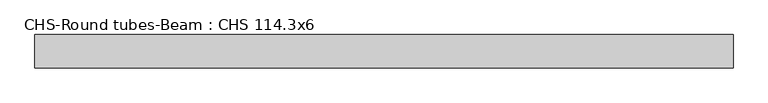
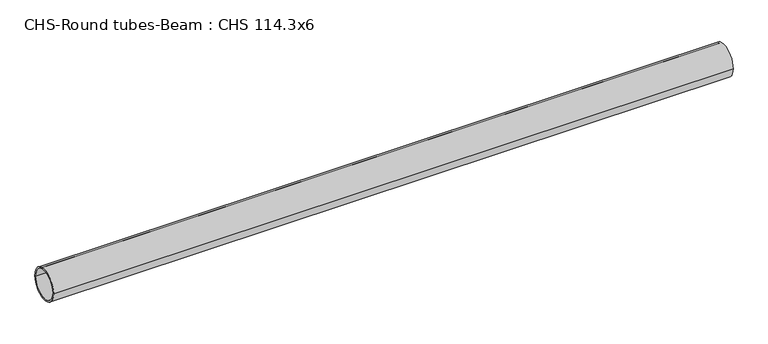
"""IFC4 building model written with IfcOpenShell, lengths in millimetres: beam geometry, CHS-Round tubes-Beam : CHS 114.3x6."""

from ifc_helpers import new_model, si_unit, point, frame, origin, origin_2d, place, context, project, spatial, circle_curve, trimmed, segment, composite_curve, outline, extrude, source, transform, mapped, element, save


def chs_round_tubes_beam_chs_114_3x6_15df7f44(model_context):
    return source(origin(), model_context, "Body", "SweptSolid", [
        extrude(outline(composite_curve([segment(trimmed(circle_curve(origin_2d(), 57.15), [point((57.15, 0.0))], [point((-57.15, 0.0))], False, "CARTESIAN"), True, "CONTINUOUS"), segment(trimmed(circle_curve(origin_2d(), 57.15), [point((-57.15, 0.0))], [point((57.15, 0.0))], False, "CARTESIAN"), True, "CONTINUOUS")], self_intersect=False), holes=[composite_curve([segment(trimmed(circle_curve(origin_2d(), 51.15), [point((51.15, 0.0))], [point((-51.15, 0.0))], True, "CARTESIAN"), True, "CONTINUOUS"), segment(trimmed(circle_curve(origin_2d(), 51.15), [point((-51.15, 0.0))], [point((51.15, 0.0))], True, "CARTESIAN"), True, "CONTINUOUS")], self_intersect=False)]), frame((-1143.2352596, 0.0, 0.0), z_axis=(1.0, 0.0, 0.0), x_axis=(0.0, 1.0, 0.0)), (0.0, 0.0, 1.0), 2402.8325872),
    ])


if __name__ == "__main__":
    model = new_model("IFC4")
    model_context = context("Model", 3, world=origin())
    ifc_project = project(units=[si_unit("LENGTHUNIT", "METRE", prefix="MILLI")], contexts=[model_context])
    site = spatial("IfcSite", under=ifc_project)
    building = spatial("IfcBuilding", under=site)
    placement = place(None, origin())
    chs_round_tubes_beam_chs_114_3x6_shape = chs_round_tubes_beam_chs_114_3x6_15df7f44(model_context)
    element("IfcBeam", 1, ObjectType="CHS-Round tubes-Beam : CHS 114.3x6", at=placement, inside=building, context=model_context, shape_type="MappedRepresentation", body=[
        mapped(chs_round_tubes_beam_chs_114_3x6_shape, transform((0.0, 0.0, 0.0), x_axis=(1.0, 0.0, 0.0), y_axis=(0.0, 1.0, 0.0), z_axis=(0.0, 0.0, 1.0))),
    ])
    save(model, "model.ifc")
